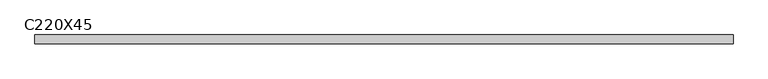
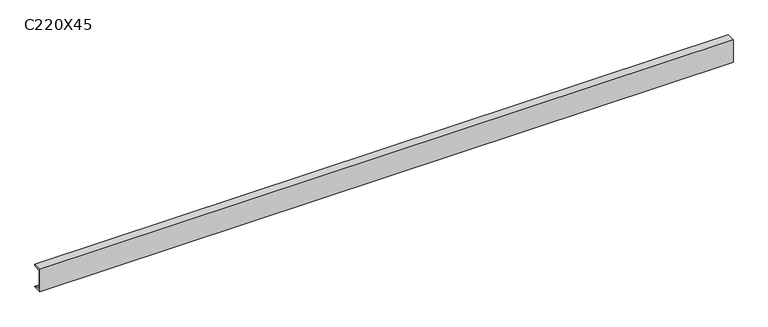
"""IFC4 building model written with IfcOpenShell, lengths in millimetres: beam geometry, C220X45."""

from ifc_helpers import new_model, si_unit, point, frame, frame_2d, origin, place, context, project, spatial, polyline, circle_curve, trimmed, segment, composite_curve, outline, extrude, source, transform, mapped, element, save


def c220x45_71ac8da9(model_context):
    return source(origin(), model_context, "Body", "SweptSolid", [
        extrude(outline(composite_curve([segment(polyline([(-17.0, 110.0), (64.0, 110.0)]), True, "CONTINUOUS"), segment(trimmed(circle_curve(frame_2d((51.0, 110.0)), 13.0), [point((64.0, 110.0))], [point((51.0, 97.0))], False, "CARTESIAN"), True, "CONTINUOUS"), segment(polyline([(51.0, 97.0), (-4.0, 88.2888558), (-4.0, -88.2888558), (51.0, -97.0)]), True, "CONTINUOUS"), segment(trimmed(circle_curve(frame_2d((51.0, -110.0)), 13.0), [point((51.0, -97.0))], [point((64.0, -110.0))], False, "CARTESIAN"), True, "CONTINUOUS"), segment(polyline([(64.0, -110.0), (-17.0, -110.0), (-17.0, 110.0)]), True, "CONTINUOUS")], self_intersect=False)), frame((-3234.5, 0.0, 0.0), z_axis=(1.0, 0.0, 0.0), x_axis=(0.0, 1.0, 0.0)), (0.0, 0.0, 1.0), 6469.0),
    ])


if __name__ == "__main__":
    model = new_model("IFC4")
    model_context = context("Model", 3, world=origin())
    ifc_project = project(units=[si_unit("LENGTHUNIT", "METRE", prefix="MILLI")], contexts=[model_context])
    site = spatial("IfcSite", under=ifc_project)
    building = spatial("IfcBuilding", under=site)
    placement = place(None, origin())
    c220x45_shape = c220x45_71ac8da9(model_context)
    element("IfcBeam", 1, ObjectType="C220X45", at=placement, inside=building, context=model_context, shape_type="MappedRepresentation", body=[
        mapped(c220x45_shape, transform((0.0, 0.0, 0.0), x_axis=(1.0, 0.0, 0.0), y_axis=(0.0, 1.0, 0.0), z_axis=(0.0, 0.0, 1.0))),
    ])
    save(model, "model.ifc")
